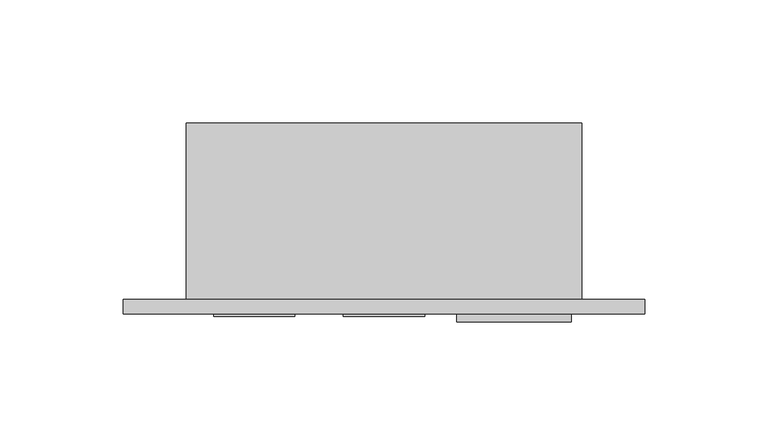
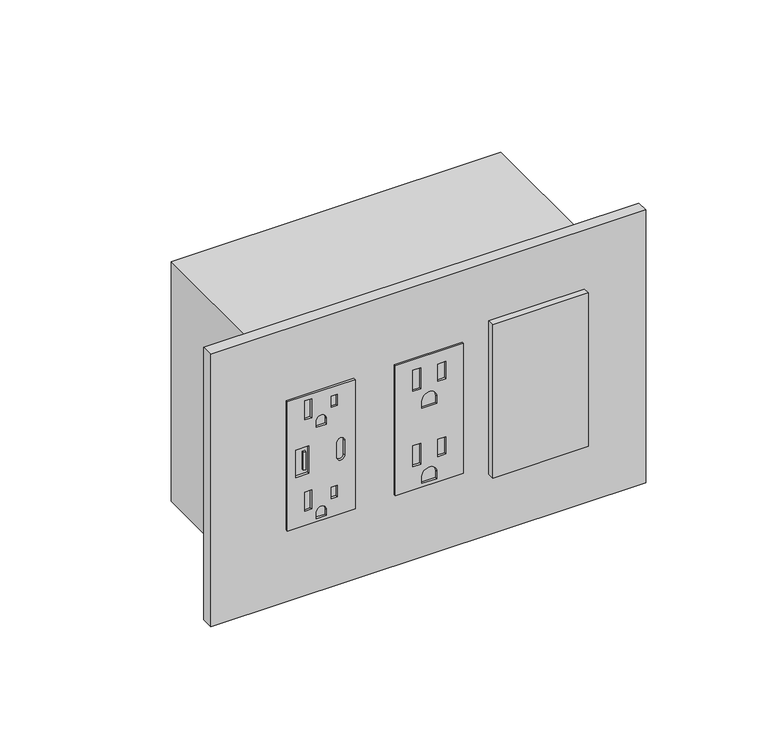
"""IFC4 building model written with IfcOpenShell, lengths in millimetres: proxy geometry."""

from ifc_helpers import new_model, si_unit, point, frame, frame_2d, origin, place, context, project, spatial, polyline, circle_curve, trimmed, segment, composite_curve, outline, extrude, source, transform, mapped, element, save


def electrical_fixtures_45b038c0(model_context):
    return source(origin(), model_context, "Body", "SweptSolid", [
        extrude(outline(polyline([(414.274, 44.0944), (414.274, 11.0998), (347.726, 11.0998), (347.726, 44.0944), (414.274, 44.0944)]), holes=[polyline([(411.8356, 22.9616), (402.0080649, 22.9616), (402.0080649, 19.6342), (411.8356, 19.6342), (411.8356, 22.9616)]), polyline([(409.8301324, 35.41014), (404.0135324, 35.41014), (404.0135324, 32.4358), (409.8301324, 32.4358), (409.8301324, 35.41014)]), composite_curve([segment(polyline([(396.24, 30.0609), (396.24, 25.1333), (399.3388, 25.1333)]), True, "CONTINUOUS"), segment(trimmed(circle_curve(frame_2d((399.3388, 27.5971)), 2.4638), [point((399.3388, 25.1333))], [point((399.3388, 30.0609))], True, "CARTESIAN"), True, "CONTINUOUS"), segment(polyline([(399.3388, 30.0609), (396.24, 30.0609)]), True, "CONTINUOUS")], self_intersect=False), polyline([(364.8456, 22.9616), (355.0180649, 22.9616), (355.0180649, 19.6342), (364.8456, 19.6342), (364.8456, 22.9616)]), polyline([(362.8401324, 35.41014), (357.0235324, 35.41014), (357.0235324, 32.4358), (362.8401324, 32.4358), (362.8401324, 35.41014)]), composite_curve([segment(polyline([(349.25, 30.0609), (349.25, 25.1333), (352.3488, 25.1333)]), True, "CONTINUOUS"), segment(trimmed(circle_curve(frame_2d((352.3488, 27.5971)), 2.4638), [point((352.3488, 25.1333))], [point((352.3488, 30.0609))], True, "CARTESIAN"), True, "CONTINUOUS"), segment(polyline([(352.3488, 30.0609), (349.25, 30.0609)]), True, "CONTINUOUS")], self_intersect=False), polyline([(388.0485, 21.59), (373.9515, 21.59), (373.9515, 15.0876), (388.0485, 15.0876), (388.0485, 21.59)]), composite_curve([segment(trimmed(circle_curve(frame_2d((377.2154, 37.1348)), 1.905), [point((377.2154, 39.0398))], [point((377.2154, 35.2298))], True, "CARTESIAN"), True, "CONTINUOUS"), segment(polyline([(377.2154, 35.2298), (384.7846, 35.2298)]), True, "CONTINUOUS"), segment(trimmed(circle_curve(frame_2d((384.7846, 37.1348)), 1.905), [point((384.7846, 35.2298))], [point((384.7846, 39.0398))], True, "CARTESIAN"), True, "CONTINUOUS"), segment(polyline([(384.7846, 39.0398), (377.2154, 39.0398)]), True, "CONTINUOUS")], self_intersect=False)]), frame((0.0, -6.9294746, 0.0), z_axis=(0.0, 1.0, 0.0), x_axis=(0.0, 0.0, 1.0)), (0.0, 0.0, 1.0), 1.0366746),
        extrude(outline(polyline([(20.0803959, -6.9294746), (18.9613268, -6.9294746), (18.9613268, -5.8928), (20.0803959, -5.8928), (20.0803959, -6.9294746)])), frame((0.0, 0.0, 376.2998162), z_axis=(0.0, 0.0, 1.0), x_axis=(1.0, 0.0, 0.0)), (0.0, 0.0, 1.0), 9.2470447),
        extrude(outline(polyline([(414.4772, 96.7613), (414.4772, 63.7667), (347.5228, 63.7667), (347.5228, 96.7613), (414.4772, 96.7613)]), holes=[polyline([(409.0924, 76.1111), (398.272, 76.1111), (398.272, 72.2757), (409.0924, 72.2757), (409.0924, 76.1111)]), polyline([(408.1145, 88.2777), (399.2499, 88.2777), (399.2499, 84.4423), (408.1145, 84.4423), (408.1145, 88.2777)]), composite_curve([segment(polyline([(388.0866, 83.8962), (388.0866, 76.6318), (391.7188, 76.6318)]), True, "CONTINUOUS"), segment(trimmed(circle_curve(frame_2d((391.7188, 80.264)), 3.6322), [point((391.7188, 76.6318))], [point((391.7188, 83.8962))], True, "CARTESIAN"), True, "CONTINUOUS"), segment(polyline([(391.7188, 83.8962), (388.0866, 83.8962)]), True, "CONTINUOUS")], self_intersect=False), polyline([(370.3574, 76.1111), (359.537, 76.1111), (359.537, 72.2757), (370.3574, 72.2757), (370.3574, 76.1111)]), polyline([(369.3795, 88.2777), (360.5149, 88.2777), (360.5149, 84.4423), (369.3795, 84.4423), (369.3795, 88.2777)]), composite_curve([segment(polyline([(349.3516, 83.8962), (349.3516, 76.6318), (352.9838, 76.6318)]), True, "CONTINUOUS"), segment(trimmed(circle_curve(frame_2d((352.9838, 80.264)), 3.6322), [point((352.9838, 76.6318))], [point((352.9838, 83.8962))], True, "CARTESIAN"), True, "CONTINUOUS"), segment(polyline([(352.9838, 83.8962), (349.3516, 83.8962)]), True, "CONTINUOUS")], self_intersect=False)]), frame((0.0, -6.9294746, 0.0), z_axis=(0.0, 1.0, 0.0), x_axis=(0.0, 0.0, 1.0)), (0.0, 0.0, 1.0), 1.0366746),
        extrude(outline(polyline([(109.8296, -5.8928), (156.3624, -5.8928), (156.3624, -9.0678), (109.8296, -9.0678), (109.8296, -5.8928)])), frame((0.0, 0.0, 341.7922742), z_axis=(0.0, 0.0, 1.0), x_axis=(1.0, 0.0, 0.0)), (0.0, 0.0, 1.0), 79.0448),
        extrude(outline(polyline([(-25.6794, 0.0), (186.2074, 0.0), (186.2074, -5.8928), (-25.6794, -5.8928), (-25.6794, 0.0)])), frame((0.0, 0.0, 310.8198), z_axis=(0.0, 0.0, 1.0), x_axis=(1.0, 0.0, 0.0)), (0.0, 0.0, 1.0), 140.3604),
        extrude(outline(polyline([(160.528, 0.0), (0.0, 0.0), (0.0, 71.7296), (160.528, 71.7296), (160.528, 0.0)])), frame((0.0, 0.0, 319.2526), z_axis=(0.0, 0.0, 1.0), x_axis=(1.0, 0.0, 0.0)), (0.0, 0.0, 1.0), 123.4948),
    ])


if __name__ == "__main__":
    model = new_model("IFC4")
    model_context = context("Model", 3, world=origin())
    ifc_project = project(units=[si_unit("LENGTHUNIT", "METRE", prefix="MILLI")], contexts=[model_context])
    site = spatial("IfcSite", under=ifc_project)
    building = spatial("IfcBuilding", under=site)
    placement = place(None, origin())
    electrical_fixtures_shape = electrical_fixtures_45b038c0(model_context)
    element("IfcBuildingElementProxy", 1, Name="Electrical Fixtures", at=placement, inside=building, context=model_context, shape_type="MappedRepresentation", body=[
        mapped(electrical_fixtures_shape, transform((0.0, 0.0, 0.0), x_axis=(1.0, 0.0, 0.0), y_axis=(0.0, 1.0, 0.0), z_axis=(0.0, 0.0, 1.0))),
    ])
    save(model, "model.ifc")
